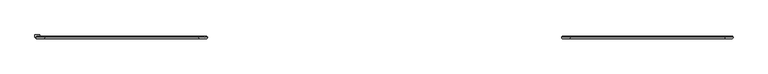
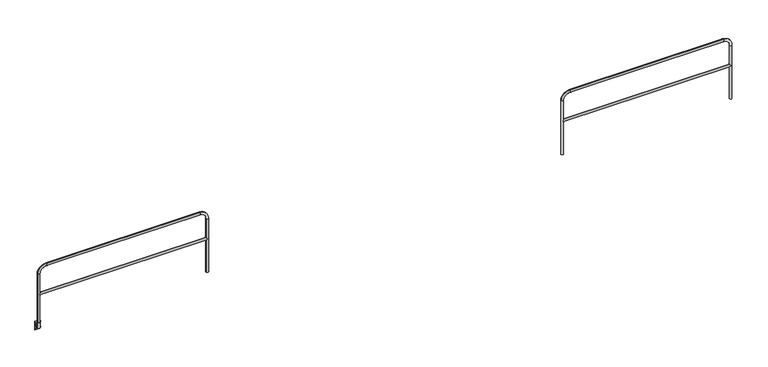
"""IFC4 building model written with IfcOpenShell, lengths in millimetres: railing geometry."""

from ifc_helpers import new_model, si_unit, point, frame, frame_2d, origin, place, context, project, spatial, polyline, circle_curve, ellipse_curve, trimmed, segment, composite_curve, outline, extrude, source, transform, mapped, element, save
from ifc_brep_helpers import plane_surface, cylinder_surface, revolved_surface, advanced_brep


def railing_98f73bf9(model_context):
    return source(origin(), model_context, "Body", "SolidModel", [
        advanced_brep(
        [(48010.7496377, 9345.0551937, 554.0375), (47990.1121377, 9324.4176937, 533.4), (48010.7496377, 9345.0551937, 512.7625), (50976.1996377, 9345.0551937, 512.7625), (50996.8371377, 9324.4176937, 533.4), (50976.1996377, 9345.0551937, 554.0375), (50996.8371377, 9365.6926937, 533.4), (47990.1121377, 9365.6926937, 533.4), (47969.4746377, 9345.0551937, -95.25), (48010.7496377, 9345.0551937, -95.25), (48010.7496377, 9345.0551937, 914.4), (47969.4746377, 9345.0551937, 914.4), (48121.8746377, 9345.0551937, 1025.525), (48121.8746377, 9345.0551937, 1066.8), (50865.0746377, 9345.0551937, 1025.525), (50865.0746377, 9345.0551937, 1066.8), (50976.1996377, 9345.0551937, 914.4), (51017.4746377, 9345.0551937, 914.4), (51017.4746377, 9345.0551937, -95.25), (50976.1996377, 9345.0551937, -95.25)],
        [
            (0, 1, ellipse_curve(frame((47990.1121377, 9345.0551937, 533.4), z_axis=(0.7071067811865475, 0.0, -0.7071067811865475), x_axis=(-0.7071067811865476, 0.0, -0.7071067811865474)), 29.1858324, 20.6375)),
            (1, 2, ellipse_curve(frame((47990.1121377, 9345.0551937, 533.4), z_axis=(0.7071067811865475, 0.0, 0.7071067811865475), x_axis=(-0.7071067811865476, 0.0, 0.7071067811865474)), 29.1858324, 20.6375)),
            (2, 3),
            (3, 4, ellipse_curve(frame((50996.8371377, 9345.0551937, 533.4), z_axis=(-0.7071067811865475, 0.0, 0.7071067811865475), x_axis=(-0.7071067811865476, 0.0, -0.7071067811865474)), 29.1858324, 20.6375)),
            (4, 5, ellipse_curve(frame((50996.8371377, 9345.0551937, 533.4), z_axis=(-0.7071067811865475, 0.0, -0.7071067811865475), x_axis=(-0.7071067811865476, 0.0, 0.7071067811865474)), 29.1858324, 20.6375)),
            (5, 0),
            (5, 6, ellipse_curve(frame((50996.8371377, 9345.0551937, 533.4), z_axis=(-0.7071067811865475, 0.0, -0.7071067811865475), x_axis=(-0.7071067811865476, 0.0, 0.7071067811865474)), 29.1858324, 20.6375)),
            (6, 3, ellipse_curve(frame((50996.8371377, 9345.0551937, 533.4), z_axis=(-0.7071067811865475, 0.0, 0.7071067811865475), x_axis=(-0.7071067811865476, 0.0, -0.7071067811865474)), 29.1858324, 20.6375)),
            (2, 7, ellipse_curve(frame((47990.1121377, 9345.0551937, 533.4), z_axis=(0.7071067811865475, 0.0, 0.7071067811865475), x_axis=(-0.7071067811865476, 0.0, 0.7071067811865474)), 29.1858324, 20.6375)),
            (7, 0, ellipse_curve(frame((47990.1121377, 9345.0551937, 533.4), z_axis=(0.7071067811865475, 0.0, -0.7071067811865475), x_axis=(-0.7071067811865476, 0.0, -0.7071067811865474)), 29.1858324, 20.6375)),
            (8, 9, circle_curve(frame((47990.1121377, 9345.0551937, -95.25), z_axis=(0.0, 0.0, -1.0), x_axis=(1.0, 0.0, 0.0)), 20.6375)),
            (9, 8, circle_curve(frame((47990.1121377, 9345.0551937, -95.25), z_axis=(0.0, 0.0, -1.0), x_axis=(1.0, 0.0, 0.0)), 20.6375)),
            (9, 2),
            (0, 10),
            (10, 11, circle_curve(frame((47990.1121377, 9345.0551937, 914.4), z_axis=(0.0, 0.0, -1.0), x_axis=(1.0, 0.0, 0.0)), 20.6375)),
            (11, 8),
            (11, 10, circle_curve(frame((47990.1121377, 9345.0551937, 914.4), z_axis=(0.0, 0.0, -1.0), x_axis=(1.0, 0.0, 0.0)), 20.6375)),
            (10, 12, circle_curve(frame((48121.8746377, 9345.0551937, 914.4), z_axis=(0.0, 1.0, 0.0), x_axis=(-1.0, 0.0, 0.0)), 111.125)),
            (12, 13, circle_curve(frame((48121.8746377, 9345.0551937, 1046.1625), z_axis=(-1.0, 0.0, 0.0), x_axis=(0.0, 0.0, -1.0)), 20.6375)),
            (13, 11, circle_curve(frame((48121.8746377, 9345.0551937, 914.4), z_axis=(0.0, -1.0, 0.0), x_axis=(-1.0, 0.0, 0.0)), 152.4)),
            (13, 12, circle_curve(frame((48121.8746377, 9345.0551937, 1046.1625), z_axis=(-1.0, 0.0, 0.0), x_axis=(0.0, 0.0, -1.0)), 20.6375)),
            (12, 14),
            (14, 15, circle_curve(frame((50865.0746377, 9345.0551937, 1046.1625), z_axis=(-1.0, 0.0, 0.0), x_axis=(0.0, 0.0, -1.0)), 20.6375)),
            (15, 13),
            (15, 14, circle_curve(frame((50865.0746377, 9345.0551937, 1046.1625), z_axis=(-1.0, 0.0, 0.0), x_axis=(0.0, 0.0, -1.0)), 20.6375)),
            (14, 16, circle_curve(frame((50865.0746377, 9345.0551937, 914.4), z_axis=(0.0, 1.0, 0.0), x_axis=(0.0, 0.0, 1.0)), 111.125)),
            (16, 17, circle_curve(frame((50996.8371377, 9345.0551937, 914.4), z_axis=(0.0, 0.0, 1.0), x_axis=(-1.0, 0.0, 0.0)), 20.6375)),
            (17, 15, circle_curve(frame((50865.0746377, 9345.0551937, 914.4), z_axis=(0.0, -1.0, 0.0), x_axis=(0.0, 0.0, 1.0)), 152.4)),
            (17, 16, circle_curve(frame((50996.8371377, 9345.0551937, 914.4), z_axis=(0.0, 0.0, 1.0), x_axis=(-1.0, 0.0, 0.0)), 20.6375)),
            (18, 19, circle_curve(frame((50996.8371377, 9345.0551937, -95.25), z_axis=(0.0, 0.0, -1.0), x_axis=(-1.0, 0.0, 0.0)), 20.6375)),
            (19, 18, circle_curve(frame((50996.8371377, 9345.0551937, -95.25), z_axis=(0.0, 0.0, -1.0), x_axis=(-1.0, 0.0, 0.0)), 20.6375)),
            (16, 5),
            (3, 19),
            (18, 17),
        ],
        [
            cylinder_surface(frame((47990.1121377, 9345.0551937, 533.4), z_axis=(-1.0, 0.0, 0.0), x_axis=(0.0, 0.0, -1.0)), 20.6375),
            plane_surface(frame((47969.4746377, 9345.0551937, -95.25), z_axis=(0.0, 0.0, -1.0), x_axis=(0.0, -1.0, 0.0))),
            cylinder_surface(frame((47990.1121377, 9345.0551937, -95.25), z_axis=(0.0, 0.0, -1.0), x_axis=(1.0, 0.0, 0.0)), 20.6375),
            revolved_surface(trimmed(ellipse_curve(frame((47990.1121377, 9345.0551937, 914.4), z_axis=(0.0, 0.0, 1.0), x_axis=(1.0, 0.0, 0.0)), 20.6375, 20.6375), [point((47969.4746377, 9345.0551937, 914.4))], [point((48010.7496377, 9345.0551937, 914.4))], True, "CARTESIAN"), (48121.8746377, 9345.0551937, 914.4), (0.0, -1.0, 0.0)),
            revolved_surface(trimmed(ellipse_curve(frame((47990.1121377, 9345.0551937, 914.4), z_axis=(0.0, 0.0, 1.0), x_axis=(1.0, 0.0, 0.0)), 20.6375, 20.6375), [point((48010.7496377, 9345.0551937, 914.4))], [point((47969.4746377, 9345.0551937, 914.4))], True, "CARTESIAN"), (48121.8746377, 9345.0551937, 914.4), (0.0, -1.0, 0.0)),
            cylinder_surface(frame((48121.8746377, 9345.0551937, 1046.1625), z_axis=(-1.0, 0.0, 0.0), x_axis=(0.0, 0.0, -1.0)), 20.6375),
            revolved_surface(trimmed(ellipse_curve(frame((50865.0746377, 9345.0551937, 1046.1625), z_axis=(1.0, 0.0, 0.0), x_axis=(0.0, 0.0, -1.0)), 20.6375, 20.6375), [point((50865.0746377, 9345.0551937, 1066.8))], [point((50865.0746377, 9345.0551937, 1025.525))], True, "CARTESIAN"), (50865.0746377, 9345.0551937, 914.4), (0.0, -1.0, 0.0)),
            revolved_surface(trimmed(ellipse_curve(frame((50865.0746377, 9345.0551937, 1046.1625), z_axis=(1.0, 0.0, 0.0), x_axis=(0.0, 0.0, -1.0)), 20.6375, 20.6375), [point((50865.0746377, 9345.0551937, 1025.525))], [point((50865.0746377, 9345.0551937, 1066.8))], True, "CARTESIAN"), (50865.0746377, 9345.0551937, 914.4), (0.0, -1.0, 0.0)),
            plane_surface(frame((51017.4746377, 9345.0551937, -95.25), z_axis=(0.0, 0.0, -1.0), x_axis=(0.0, -1.0, 0.0))),
            cylinder_surface(frame((50996.8371377, 9345.0551937, 914.4), z_axis=(0.0, 0.0, 1.0), x_axis=(-1.0, 0.0, 0.0)), 20.6375),
        ],
        [
            (0, [[1, 2, 3, 4, 5, 6]]),
            (0, [[7, 8, -3, 9, 10, -6]]),
            (1, [[11, 12]]),
            (2, [[13, -2, -1, 14, 15, 16, -12]]),
            (2, [[-16, 17, -14, -10, -9, -13, -11]]),
            (3, [[18, 19, 20, -15]]),
            (4, [[-20, 21, -18, -17]]),
            (5, [[22, 23, 24, -19]]),
            (5, [[-24, 25, -22, -21]]),
            (6, [[26, 27, 28, -23]]),
            (7, [[-28, 29, -26, -25]]),
            (8, [[30, 31]]),
            (9, [[32, -5, -4, 33, -30, 34, -27]]),
            (9, [[-34, -31, -33, -8, -7, -32, -29]]),
        ],
    ),
        advanced_brep(
        [(38605.3536744, 9383.1551937, 0.0), (38605.3536744, 9345.0551937, 0.0), (38605.3536744, 9345.0551937, 6.35), (38605.3536744, 9389.5051937, 6.35), (38605.3536744, 9389.5051937, -152.4), (38605.3536744, 9383.1551937, -152.4), (38605.3536744, 9383.1551937, -101.6), (38605.3536744, 9345.0551937, -101.6), (38605.3536744, 9345.0551937, -95.25), (38605.3536744, 9383.1551937, -95.25), (38688.090601, 9383.1551937, 0.0), (38688.090601, 9383.1551937, -95.25), (38688.090601, 9345.0551937, -95.25), (38688.090601, 9345.0551937, -101.6), (38688.090601, 9383.1551937, -101.6), (38688.090601, 9383.1551937, -152.4), (38688.090601, 9389.5051937, -152.4), (38688.090601, 9389.5051937, 6.35), (38688.090601, 9345.0551937, 6.35), (38688.090601, 9345.0551937, 0.0), (38619.7346377, 9345.0551937, 0.0), (38619.7346377, 9345.0551937, 6.35), (38673.7096377, 9345.0551937, 6.35), (38673.7096377, 9345.0551937, 0.0), (38619.7346377, 9345.0551937, -95.25), (38673.7096377, 9345.0551937, -95.25)],
        [
            (0, 1),
            (1, 2),
            (2, 3),
            (3, 4),
            (4, 5),
            (5, 6),
            (6, 7),
            (7, 8),
            (8, 9),
            (9, 0),
            (10, 11),
            (11, 12),
            (12, 13),
            (13, 14),
            (14, 15),
            (15, 16),
            (16, 17),
            (17, 18),
            (18, 19),
            (19, 10),
            (1, 20),
            (20, 21),
            (21, 2),
            (18, 22),
            (22, 23),
            (23, 19),
            (21, 22, circle_curve(frame((38646.7221377, 9345.0551937, 6.35), z_axis=(0.0, 0.0, -1.0), x_axis=(-1.0, 0.0, 0.0)), 26.9875)),
            (17, 3),
            (0, 10),
            (23, 20, circle_curve(frame((38646.7221377, 9345.0551937, 0.0), z_axis=(0.0, 0.0, 1.0), x_axis=(-1.0, 0.0, 0.0)), 26.9875)),
            (16, 4),
            (8, 24),
            (24, 25),
            (25, 12),
            (11, 9),
            (7, 13),
            (6, 14),
            (5, 15),
        ],
        [
            plane_surface(frame((38605.3536744, 9389.5051937, 0.0), z_axis=(-1.0, 0.0, 0.0), x_axis=(0.0, 0.0, 1.0))),
            plane_surface(frame((38688.090601, 9389.5051937, 0.0), z_axis=(1.0, 0.0, 0.0), x_axis=(0.0, 0.0, 1.0))),
            plane_surface(frame((38605.3536744, 9345.0551937, 6.35), z_axis=(0.0, -1.0, 0.0), x_axis=(1.0, 0.0, 0.0))),
            plane_surface(frame((38605.3536744, 9389.5051937, 6.35), z_axis=(0.0, 0.0, 1.0), x_axis=(1.0, 0.0, 0.0))),
            plane_surface(frame((38605.3536744, 9345.0551937, 0.0), z_axis=(0.0, 0.0, -1.0), x_axis=(1.0, 0.0, 0.0))),
            plane_surface(frame((38605.3536744, 9389.5051937, -152.4), z_axis=(0.0, 1.0, 0.0), x_axis=(1.0, 0.0, 0.0))),
            plane_surface(frame((38605.3536744, 9383.1551937, -95.25), z_axis=(0.0, 0.0, 1.0), x_axis=(1.0, 0.0, 0.0))),
            plane_surface(frame((38605.3536744, 9345.0551937, -95.25), z_axis=(0.0, -1.0, 0.0), x_axis=(1.0, 0.0, 0.0))),
            plane_surface(frame((38605.3536744, 9345.0551937, -101.6), z_axis=(0.0, 0.0, -1.0), x_axis=(1.0, 0.0, 0.0))),
            revolved_surface(polyline([(38619.7346377, 9345.0551937, 6.349999999999994), (38619.7346377, 9345.0551937, 0.0)]), (38646.7221377, 9345.0551937, -95.25), (0.0, 0.0, 1.0)),
            plane_surface(frame((38605.3536744, 9383.1551937, -101.6), z_axis=(0.0, -1.0, 0.0), x_axis=(1.0, 0.0, 0.0))),
            plane_surface(frame((38605.3536744, 9383.1551937, -152.4), z_axis=(0.0, 0.0, -1.0), x_axis=(1.0, 0.0, 0.0))),
            plane_surface(frame((38605.3536744, 9383.1551937, 0.0), z_axis=(0.0, -1.0, 0.0), x_axis=(1.0, 0.0, 0.0))),
        ],
        [
            (0, [[1, 2, 3, 4, 5, 6, 7, 8, 9, 10]]),
            (1, [[11, 12, 13, 14, 15, 16, 17, 18, 19, 20]]),
            (2, [[21, 22, 23, -2]]),
            (2, [[24, 25, 26, -19]]),
            (3, [[-23, 27, -24, -18, 28, -3]]),
            (4, [[29, -20, -26, 30, -21, -1]]),
            (5, [[-28, -17, 31, -4]]),
            (6, [[32, 33, 34, -12, 35, -9]]),
            (7, [[36, -13, -34, -33, -32, -8]]),
            (8, [[37, -14, -36, -7]]),
            (9, [[-27, -22, -30, -25]]),
            (10, [[38, -15, -37, -6]]),
            (11, [[-31, -16, -38, -5]]),
            (12, [[-35, -11, -29, -10]]),
        ],
    ),
        extrude(outline(composite_curve([segment(trimmed(circle_curve(frame_2d((38646.7221377, 9345.0551937)), 26.9875), [point((38673.7096377, 9345.0551937))], [point((38619.7346377, 9345.0551937))], False, "CARTESIAN"), True, "CONTINUOUS"), segment(trimmed(circle_curve(frame_2d((38646.7221377, 9345.0551937)), 26.9875), [point((38619.7346377, 9345.0551937))], [point((38673.7096377, 9345.0551937))], False, "CARTESIAN"), True, "CONTINUOUS")], self_intersect=False), holes=[composite_curve([segment(trimmed(circle_curve(frame_2d((38646.7221377, 9345.0551937)), 20.6375), [point((38667.3596377, 9345.0551937))], [point((38626.0846377, 9345.0551937))], True, "CARTESIAN"), True, "CONTINUOUS"), segment(trimmed(circle_curve(frame_2d((38646.7221377, 9345.0551937)), 20.6375), [point((38626.0846377, 9345.0551937))], [point((38667.3596377, 9345.0551937))], True, "CARTESIAN"), True, "CONTINUOUS")], self_intersect=False)]), frame((0.0, 0.0, -95.25), z_axis=(0.0, 0.0, 1.0), x_axis=(1.0, 0.0, 0.0)), (0.0, 0.0, 1.0), 101.6),
        advanced_brep(
        [(38667.3596377, 9345.0551937, 554.0375), (38646.7221377, 9324.4176937, 533.4), (38667.3596377, 9345.0551937, 512.7625), (41632.8096377, 9345.0551937, 512.7625), (41653.4471377, 9324.4176937, 533.4), (41632.8096377, 9345.0551937, 554.0375), (41653.4471377, 9365.6926937, 533.4), (38646.7221377, 9365.6926937, 533.4), (38626.0846377, 9345.0551937, -95.25), (38667.3596377, 9345.0551937, -95.25), (38667.3596377, 9345.0551937, 914.4), (38626.0846377, 9345.0551937, 914.4), (38778.4846377, 9345.0551937, 1025.525), (38778.4846377, 9345.0551937, 1066.8), (41521.6846377, 9345.0551937, 1025.525), (41521.6846377, 9345.0551937, 1066.8), (41632.8096377, 9345.0551937, 914.4), (41674.0846377, 9345.0551937, 914.4), (41674.0846377, 9345.0551937, -95.25), (41632.8096377, 9345.0551937, -95.25)],
        [
            (0, 1, ellipse_curve(frame((38646.7221377, 9345.0551937, 533.4), z_axis=(0.7071067811865475, 0.0, -0.7071067811865475), x_axis=(-0.7071067811865476, 0.0, -0.7071067811865474)), 29.1858324, 20.6375)),
            (1, 2, ellipse_curve(frame((38646.7221377, 9345.0551937, 533.4), z_axis=(0.7071067811865475, 0.0, 0.7071067811865475), x_axis=(-0.7071067811865476, 0.0, 0.7071067811865474)), 29.1858324, 20.6375)),
            (2, 3),
            (3, 4, ellipse_curve(frame((41653.4471377, 9345.0551937, 533.4), z_axis=(-0.7071067811865475, 0.0, 0.7071067811865475), x_axis=(-0.7071067811865476, 0.0, -0.7071067811865474)), 29.1858324, 20.6375)),
            (4, 5, ellipse_curve(frame((41653.4471377, 9345.0551937, 533.4), z_axis=(-0.7071067811865475, 0.0, -0.7071067811865475), x_axis=(-0.7071067811865476, 0.0, 0.7071067811865474)), 29.1858324, 20.6375)),
            (5, 0),
            (5, 6, ellipse_curve(frame((41653.4471377, 9345.0551937, 533.4), z_axis=(-0.7071067811865475, 0.0, -0.7071067811865475), x_axis=(-0.7071067811865476, 0.0, 0.7071067811865474)), 29.1858324, 20.6375)),
            (6, 3, ellipse_curve(frame((41653.4471377, 9345.0551937, 533.4), z_axis=(-0.7071067811865475, 0.0, 0.7071067811865475), x_axis=(-0.7071067811865476, 0.0, -0.7071067811865474)), 29.1858324, 20.6375)),
            (2, 7, ellipse_curve(frame((38646.7221377, 9345.0551937, 533.4), z_axis=(0.7071067811865475, 0.0, 0.7071067811865475), x_axis=(-0.7071067811865476, 0.0, 0.7071067811865474)), 29.1858324, 20.6375)),
            (7, 0, ellipse_curve(frame((38646.7221377, 9345.0551937, 533.4), z_axis=(0.7071067811865475, 0.0, -0.7071067811865475), x_axis=(-0.7071067811865476, 0.0, -0.7071067811865474)), 29.1858324, 20.6375)),
            (8, 9, circle_curve(frame((38646.7221377, 9345.0551937, -95.25), z_axis=(0.0, 0.0, -1.0), x_axis=(1.0, 0.0, 0.0)), 20.6375)),
            (9, 8, circle_curve(frame((38646.7221377, 9345.0551937, -95.25), z_axis=(0.0, 0.0, -1.0), x_axis=(1.0, 0.0, 0.0)), 20.6375)),
            (9, 2),
            (0, 10),
            (10, 11, circle_curve(frame((38646.7221377, 9345.0551937, 914.4), z_axis=(0.0, 0.0, -1.0), x_axis=(1.0, 0.0, 0.0)), 20.6375)),
            (11, 8),
            (11, 10, circle_curve(frame((38646.7221377, 9345.0551937, 914.4), z_axis=(0.0, 0.0, -1.0), x_axis=(1.0, 0.0, 0.0)), 20.6375)),
            (10, 12, circle_curve(frame((38778.4846377, 9345.0551937, 914.4), z_axis=(0.0, 1.0, 0.0), x_axis=(-1.0, 0.0, 0.0)), 111.125)),
            (12, 13, circle_curve(frame((38778.4846377, 9345.0551937, 1046.1625), z_axis=(-1.0, 0.0, 0.0), x_axis=(0.0, 0.0, -1.0)), 20.6375)),
            (13, 11, circle_curve(frame((38778.4846377, 9345.0551937, 914.4), z_axis=(0.0, -1.0, 0.0), x_axis=(-1.0, 0.0, 0.0)), 152.4)),
            (13, 12, circle_curve(frame((38778.4846377, 9345.0551937, 1046.1625), z_axis=(-1.0, 0.0, 0.0), x_axis=(0.0, 0.0, -1.0)), 20.6375)),
            (12, 14),
            (14, 15, circle_curve(frame((41521.6846377, 9345.0551937, 1046.1625), z_axis=(-1.0, 0.0, 0.0), x_axis=(0.0, 0.0, -1.0)), 20.6375)),
            (15, 13),
            (15, 14, circle_curve(frame((41521.6846377, 9345.0551937, 1046.1625), z_axis=(-1.0, 0.0, 0.0), x_axis=(0.0, 0.0, -1.0)), 20.6375)),
            (14, 16, circle_curve(frame((41521.6846377, 9345.0551937, 914.4), z_axis=(0.0, 1.0, 0.0), x_axis=(0.0, 0.0, 1.0)), 111.125)),
            (16, 17, circle_curve(frame((41653.4471377, 9345.0551937, 914.4), z_axis=(0.0, 0.0, 1.0), x_axis=(-1.0, 0.0, 0.0)), 20.6375)),
            (17, 15, circle_curve(frame((41521.6846377, 9345.0551937, 914.4), z_axis=(0.0, -1.0, 0.0), x_axis=(0.0, 0.0, 1.0)), 152.4)),
            (17, 16, circle_curve(frame((41653.4471377, 9345.0551937, 914.4), z_axis=(0.0, 0.0, 1.0), x_axis=(-1.0, 0.0, 0.0)), 20.6375)),
            (18, 19, circle_curve(frame((41653.4471377, 9345.0551937, -95.25), z_axis=(0.0, 0.0, -1.0), x_axis=(-1.0, 0.0, 0.0)), 20.6375)),
            (19, 18, circle_curve(frame((41653.4471377, 9345.0551937, -95.25), z_axis=(0.0, 0.0, -1.0), x_axis=(-1.0, 0.0, 0.0)), 20.6375)),
            (16, 5),
            (3, 19),
            (18, 17),
        ],
        [
            cylinder_surface(frame((38646.7221377, 9345.0551937, 533.4), z_axis=(-1.0, 0.0, 0.0), x_axis=(0.0, 0.0, -1.0)), 20.6375),
            plane_surface(frame((38626.0846377, 9345.0551937, -95.25), z_axis=(0.0, 0.0, -1.0), x_axis=(0.0, -1.0, 0.0))),
            cylinder_surface(frame((38646.7221377, 9345.0551937, -95.25), z_axis=(0.0, 0.0, -1.0), x_axis=(1.0, 0.0, 0.0)), 20.6375),
            revolved_surface(trimmed(ellipse_curve(frame((38646.7221377, 9345.0551937, 914.4), z_axis=(0.0, 0.0, 1.0), x_axis=(1.0, 0.0, 0.0)), 20.6375, 20.6375), [point((38626.0846377, 9345.0551937, 914.4))], [point((38667.3596377, 9345.0551937, 914.4))], True, "CARTESIAN"), (38778.4846377, 9345.0551937, 914.4), (0.0, -1.0, 0.0)),
            revolved_surface(trimmed(ellipse_curve(frame((38646.7221377, 9345.0551937, 914.4), z_axis=(0.0, 0.0, 1.0), x_axis=(1.0, 0.0, 0.0)), 20.6375, 20.6375), [point((38667.3596377, 9345.0551937, 914.4))], [point((38626.0846377, 9345.0551937, 914.4))], True, "CARTESIAN"), (38778.4846377, 9345.0551937, 914.4), (0.0, -1.0, 0.0)),
            cylinder_surface(frame((38778.4846377, 9345.0551937, 1046.1625), z_axis=(-1.0, 0.0, 0.0), x_axis=(0.0, 0.0, -1.0)), 20.6375),
            revolved_surface(trimmed(ellipse_curve(frame((41521.6846377, 9345.0551937, 1046.1625), z_axis=(1.0, 0.0, 0.0), x_axis=(0.0, 0.0, -1.0)), 20.6375, 20.6375), [point((41521.6846377, 9345.0551937, 1066.8))], [point((41521.6846377, 9345.0551937, 1025.525))], True, "CARTESIAN"), (41521.6846377, 9345.0551937, 914.4), (0.0, -1.0, 0.0)),
            revolved_surface(trimmed(ellipse_curve(frame((41521.6846377, 9345.0551937, 1046.1625), z_axis=(1.0, 0.0, 0.0), x_axis=(0.0, 0.0, -1.0)), 20.6375, 20.6375), [point((41521.6846377, 9345.0551937, 1025.525))], [point((41521.6846377, 9345.0551937, 1066.8))], True, "CARTESIAN"), (41521.6846377, 9345.0551937, 914.4), (0.0, -1.0, 0.0)),
            plane_surface(frame((41674.0846377, 9345.0551937, -95.25), z_axis=(0.0, 0.0, -1.0), x_axis=(0.0, -1.0, 0.0))),
            cylinder_surface(frame((41653.4471377, 9345.0551937, 914.4), z_axis=(0.0, 0.0, 1.0), x_axis=(-1.0, 0.0, 0.0)), 20.6375),
        ],
        [
            (0, [[1, 2, 3, 4, 5, 6]]),
            (0, [[7, 8, -3, 9, 10, -6]]),
            (1, [[11, 12]]),
            (2, [[13, -2, -1, 14, 15, 16, -12]]),
            (2, [[-16, 17, -14, -10, -9, -13, -11]]),
            (3, [[18, 19, 20, -15]]),
            (4, [[-20, 21, -18, -17]]),
            (5, [[22, 23, 24, -19]]),
            (5, [[-24, 25, -22, -21]]),
            (6, [[26, 27, 28, -23]]),
            (7, [[-28, 29, -26, -25]]),
            (8, [[30, 31]]),
            (9, [[32, -5, -4, 33, -30, 34, -27]]),
            (9, [[-34, -31, -33, -8, -7, -32, -29]]),
        ],
    ),
    ])


if __name__ == "__main__":
    model = new_model("IFC4")
    model_context = context("Model", 3, world=origin())
    ifc_project = project(units=[si_unit("LENGTHUNIT", "METRE", prefix="MILLI")], contexts=[model_context])
    site = spatial("IfcSite", under=ifc_project)
    building = spatial("IfcBuilding", under=site)
    placement = place(None, origin())
    railing_shape = railing_98f73bf9(model_context)
    element("IfcRailing", 1, at=placement, inside=building, context=model_context, shape_type="MappedRepresentation", body=[
        mapped(railing_shape, transform((0.0, 0.0, 0.0), x_axis=(1.0, 0.0, 0.0), y_axis=(0.0, 1.0, 0.0), z_axis=(0.0, 0.0, 1.0))),
    ])
    save(model, "model.ifc")
